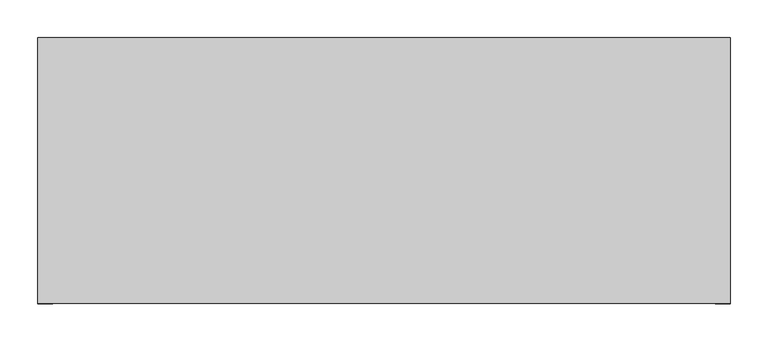
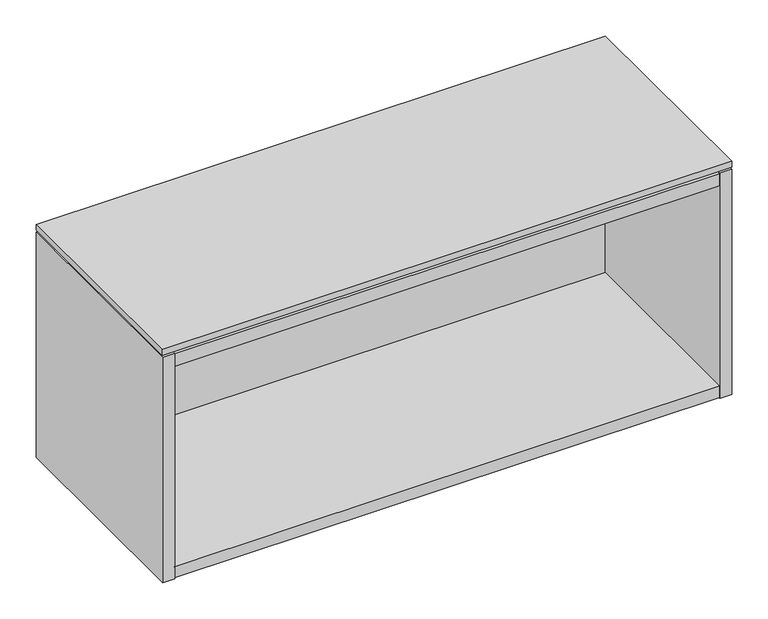
"""IFC4 building model written with IfcOpenShell, lengths in millimetres: furniture geometry."""

from ifc_helpers import new_model, si_unit, frame, origin, place, context, project, spatial, polyline, outline, extrude, faceted_brep, source, transform, mapped, element, save


def furniture_3315e924(model_context):
    return source(origin(), model_context, "Body", "SolidModel", [
        extrude(outline(polyline([(454.2234375, -191.0115724), (-457.2, -191.0115724), (-457.2, 158.8226276), (454.2234375, 158.8226276), (454.2234375, -191.0115724)])), frame((0.0, 0.0, 689.102), z_axis=(0.0, 0.0, 1.0), x_axis=(1.0, 0.0, 0.0)), (0.0, 0.0, 1.0), 9.779),
        extrude(outline(polyline([(-437.896, 145.5282676), (-437.896, 158.8226276), (434.9194375, 158.8226276), (434.9194375, 145.5282676), (-437.896, 145.5282676)])), frame((0.0, 0.0, 587.91475), z_axis=(0.0, 0.0, 1.0), x_axis=(1.0, 0.0, 0.0)), (0.0, 0.0, 1.0), 76.2),
        faceted_brep([(434.9194375, -191.0115724, 324.866), (-437.896, -191.0115724, 324.866), (-437.896, -191.0115724, 305.562), (434.9194375, -191.0115724, 305.562), (-437.896, 145.5282676, 664.11475), (434.9194375, 145.5282676, 664.11475), (434.9194375, 145.5282676, 304.8), (-437.896, 145.5282676, 304.8), (434.9194375, 126.2242676, 324.866), (-437.896, 126.2242676, 324.866), (-437.896, 126.2242676, 305.562), (434.9194375, 126.2242676, 305.562), (-437.896, 158.8226276, 685.8), (-457.2, 158.8226276, 685.8), (-457.2, -191.7735724, 685.8), (-437.896, -191.7735724, 685.8), (434.9194375, -191.7735724, 685.8), (454.2234375, -191.7735724, 685.8), (454.2234375, 158.8226276, 685.8), (434.9194375, 158.8226276, 685.8), (-437.896, -191.7735724, 304.8), (-457.2, -191.7735724, 304.8), (-457.2, 158.8226276, 304.8), (-437.896, 158.8226276, 304.8), (434.9194375, 158.8226276, 304.8), (454.2234375, 158.8226276, 304.8), (454.2234375, -191.7735724, 304.8), (434.9194375, -191.7735724, 304.8), (434.9194375, 126.2242676, 304.8), (-437.896, 126.2242676, 304.8), (-437.896, 158.8226276, 685.038), (434.9194375, 158.8226276, 685.038), (434.9194375, 158.8226276, 664.11475), (-437.896, 158.8226276, 664.11475), (-437.896, 126.2242676, 664.11475), (-437.896, -191.0115724, 664.11475), (-437.896, -191.0115724, 685.038), (434.9194375, -191.0115724, 685.038), (434.9194375, -191.0115724, 664.11475), (434.9194375, 126.2242676, 664.11475)], [[[0, 1, 2, 3]], [[4, 5, 6, 7]], [[1, 0, 8, 9]], [[3, 2, 10, 11]], [[12, 13, 14, 15]], [[16, 17, 18, 19]], [[20, 21, 22, 23, 7, 6, 24, 25, 26, 27, 28, 29]], [[13, 12, 30, 31, 19, 18, 25, 24, 32, 33, 23, 22]], [[14, 13, 22, 21]], [[15, 14, 21, 20]], [[4, 7, 23, 33]], [[12, 15, 20, 29, 10, 2, 1, 9, 34, 35, 36, 30]], [[6, 5, 32, 24]], [[16, 19, 31, 37, 38, 39, 8, 0, 3, 11, 28, 27]], [[17, 16, 27, 26]], [[18, 17, 26, 25]], [[37, 36, 35, 38]], [[36, 37, 31, 30]], [[33, 32, 5, 4]], [[38, 35, 34, 39]], [[9, 8, 39, 34]], [[29, 28, 11, 10]]]),
    ])


if __name__ == "__main__":
    model = new_model("IFC4")
    model_context = context("Model", 3, world=origin())
    ifc_project = project(units=[si_unit("LENGTHUNIT", "METRE", prefix="MILLI")], contexts=[model_context])
    site = spatial("IfcSite", under=ifc_project)
    building = spatial("IfcBuilding", under=site)
    placement = place(None, origin())
    furniture_shape = furniture_3315e924(model_context)
    element("IfcFurniture", 1, at=placement, inside=building, context=model_context, shape_type="MappedRepresentation", body=[
        mapped(furniture_shape, transform((0.0, 0.0, 0.0), x_axis=(1.0, 0.0, 0.0), y_axis=(0.0, 1.0, 0.0), z_axis=(0.0, 0.0, 1.0))),
    ])
    save(model, "model.ifc")
